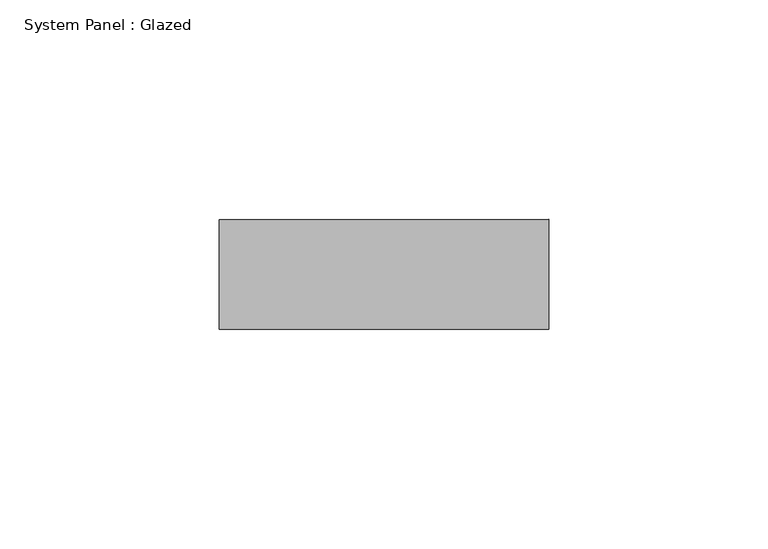
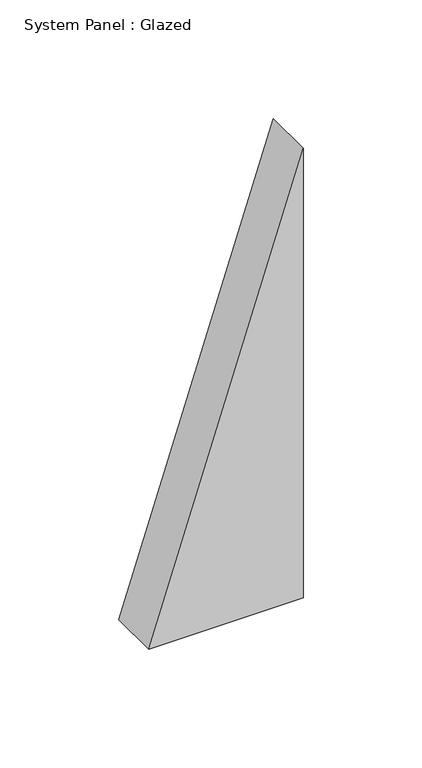
"""IFC4 building model written with IfcOpenShell, lengths in millimetres: plate geometry, System Panel : Glazed."""

from ifc_helpers import new_model, si_unit, frame, origin, place, context, project, spatial, polyline, outline, extrude, source, transform, mapped, element, save


def system_panel_glazed_b1dc5530(model_context):
    return source(origin(), model_context, "Body", "SweptSolid", [
        extrude(outline(polyline([(0.0, -37.5000002), (0.0, 37.5000002), (230.7692317, 37.5000002), (0.0, -37.5000002)])), frame((0.0, 24.5, 0.0), z_axis=(0.0, 1.0, 0.0), x_axis=(0.0, 0.0, 1.0)), (0.0, 0.0, 1.0), 25.0),
    ])


if __name__ == "__main__":
    model = new_model("IFC4")
    model_context = context("Model", 3, world=origin())
    ifc_project = project(units=[si_unit("LENGTHUNIT", "METRE", prefix="MILLI")], contexts=[model_context])
    site = spatial("IfcSite", under=ifc_project)
    building = spatial("IfcBuilding", under=site)
    placement = place(None, origin())
    system_panel_glazed_shape = system_panel_glazed_b1dc5530(model_context)
    element("IfcPlate", 1, ObjectType="System Panel : Glazed", at=placement, inside=building, context=model_context, shape_type="MappedRepresentation", body=[
        mapped(system_panel_glazed_shape, transform((0.0, 0.0, 0.0), x_axis=(1.0, 0.0, 0.0), y_axis=(0.0, 1.0, 0.0), z_axis=(0.0, 0.0, 1.0))),
    ])
    save(model, "model.ifc")
